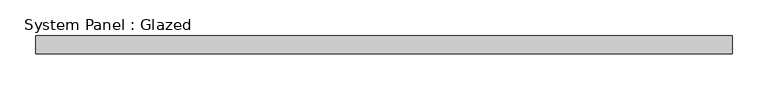
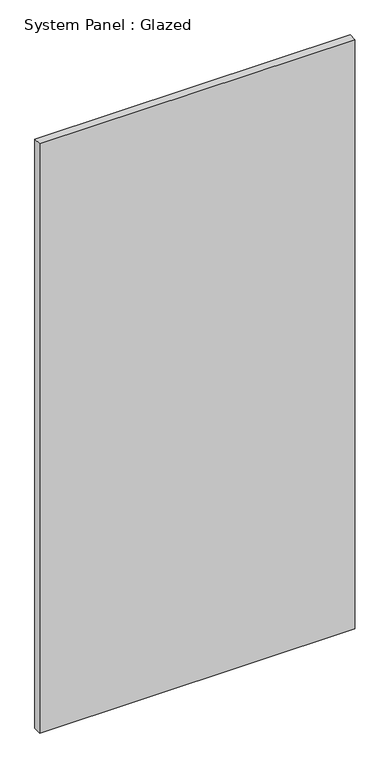
"""IFC4 building model written with IfcOpenShell, lengths in millimetres: plate geometry, System Panel : Glazed."""

from ifc_helpers import new_model, si_unit, origin, origin_with_axes, place, context, project, spatial, polyline, outline, extrude, source, transform, mapped, element, save


def system_panel_glazed_b2b7476c(model_context):
    return source(origin(), model_context, "Body", "SweptSolid", [
        extrude(outline(polyline([(486.9782883, 24.5), (-486.9782883, 24.5), (-486.9782883, 49.5), (486.9782883, 49.5), (486.9782883, 24.5)])), origin_with_axes(), (0.0, 0.0, 1.0), 1925.3187667),
    ])


if __name__ == "__main__":
    model = new_model("IFC4")
    model_context = context("Model", 3, world=origin())
    ifc_project = project(units=[si_unit("LENGTHUNIT", "METRE", prefix="MILLI")], contexts=[model_context])
    site = spatial("IfcSite", under=ifc_project)
    building = spatial("IfcBuilding", under=site)
    placement = place(None, origin())
    system_panel_glazed_shape = system_panel_glazed_b2b7476c(model_context)
    element("IfcPlate", 1, ObjectType="System Panel : Glazed", at=placement, inside=building, context=model_context, shape_type="MappedRepresentation", body=[
        mapped(system_panel_glazed_shape, transform((0.0, 0.0, 0.0), x_axis=(1.0, 0.0, 0.0), y_axis=(0.0, 1.0, 0.0), z_axis=(0.0, 0.0, 1.0))),
    ])
    save(model, "model.ifc")
